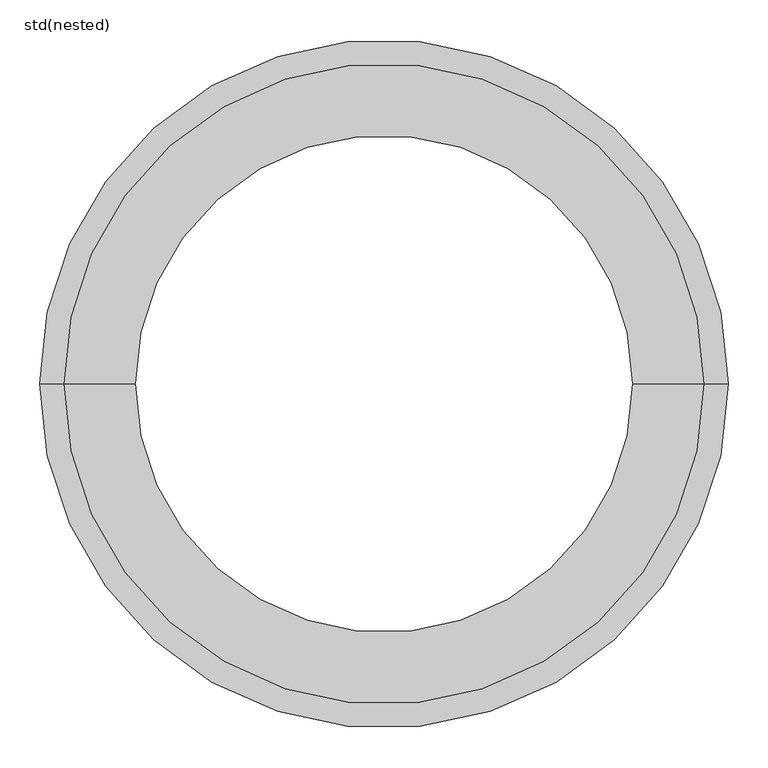
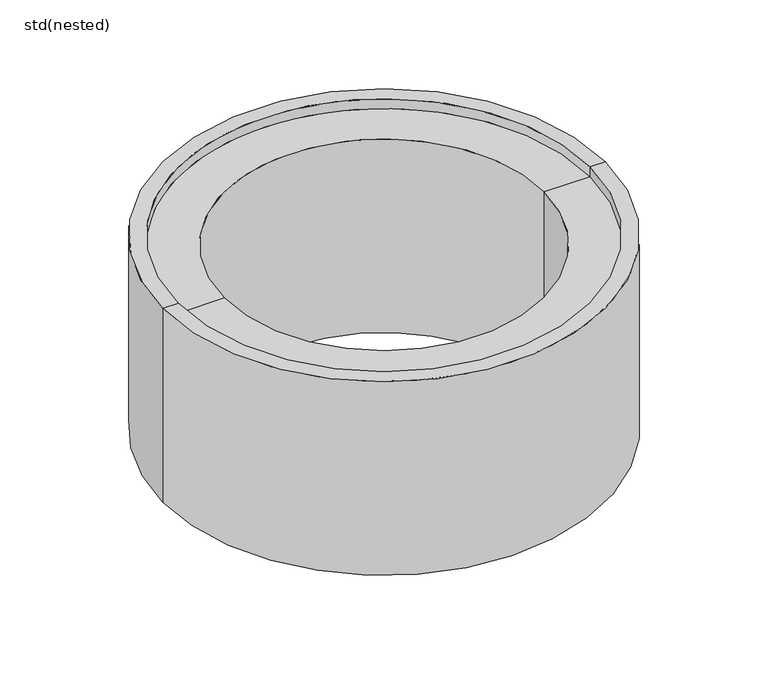
"""IFC4 building model written with IfcOpenShell, lengths in millimetres: unitary equipment geometry, std(nested)."""

from ifc_helpers import new_model, si_unit, frame, origin, place, context, project, spatial, polyline, circle_curve, source, transform, mapped, element, save
from ifc_brep_helpers import plane_surface, cylinder_surface, revolved_surface, advanced_brep


def std_nested_53556877(model_context):
    return source(origin(), model_context, "Body", "AdvancedBrep", [
        advanced_brep(
        [(402.5, 0.0, -400.0), (-402.5, 0.0, -400.0), (-432.5, 0.0, -400.0), (432.5, 0.0, -400.0), (402.5, 0.0, -420.0), (-402.5, 0.0, -420.0), (312.5, 0.0, -420.0), (-312.5, 0.0, -420.0), (312.5, 0.0, -20.0), (-312.5, 0.0, -20.0), (402.5, 0.0, -20.0), (-402.5, 0.0, -20.0), (402.5, 0.0, 0.0), (-402.5, 0.0, 0.0), (432.5, 0.0, 0.0), (-432.5, 0.0, 0.0)],
        [
            (0, 1, circle_curve(frame((0.0, 0.0, -400.0), z_axis=(0.0, 0.0, 1.0), x_axis=(-1.0, 0.0, 0.0)), 402.5)),
            (1, 2),
            (2, 3, circle_curve(frame((0.0, 0.0, -400.0), z_axis=(0.0, 0.0, -1.0), x_axis=(-1.0, 0.0, 0.0)), 432.5)),
            (3, 0),
            (1, 0, circle_curve(frame((0.0, 0.0, -400.0), z_axis=(0.0, 0.0, 1.0), x_axis=(-1.0, 0.0, 0.0)), 402.5)),
            (3, 2, circle_curve(frame((0.0, 0.0, -400.0), z_axis=(0.0, 0.0, -1.0), x_axis=(-1.0, 0.0, 0.0)), 432.5)),
            (4, 5, circle_curve(frame((0.0, 0.0, -420.0), z_axis=(0.0, 0.0, 1.0), x_axis=(-1.0, 0.0, 0.0)), 402.5)),
            (5, 1),
            (0, 4),
            (5, 4, circle_curve(frame((0.0, 0.0, -420.0), z_axis=(0.0, 0.0, 1.0), x_axis=(-1.0, 0.0, 0.0)), 402.5)),
            (6, 7, circle_curve(frame((0.0, 0.0, -420.0), z_axis=(0.0, 0.0, 1.0), x_axis=(-1.0, 0.0, 0.0)), 312.5)),
            (7, 5),
            (4, 6),
            (7, 6, circle_curve(frame((0.0, 0.0, -420.0), z_axis=(0.0, 0.0, 1.0), x_axis=(-1.0, 0.0, 0.0)), 312.5)),
            (8, 9, circle_curve(frame((0.0, 0.0, -20.0), z_axis=(0.0, 0.0, 1.0), x_axis=(-1.0, 0.0, 0.0)), 312.5)),
            (9, 7),
            (6, 8),
            (9, 8, circle_curve(frame((0.0, 0.0, -20.0), z_axis=(0.0, 0.0, 1.0), x_axis=(-1.0, 0.0, 0.0)), 312.5)),
            (10, 11, circle_curve(frame((0.0, 0.0, -20.0), z_axis=(0.0, 0.0, 1.0), x_axis=(-1.0, 0.0, 0.0)), 402.5)),
            (11, 9),
            (8, 10),
            (11, 10, circle_curve(frame((0.0, 0.0, -20.0), z_axis=(0.0, 0.0, 1.0), x_axis=(-1.0, 0.0, 0.0)), 402.5)),
            (12, 13, circle_curve(frame((0.0, 0.0, 0.0), z_axis=(0.0, 0.0, 1.0), x_axis=(-1.0, 0.0, 0.0)), 402.5)),
            (13, 11),
            (10, 12),
            (13, 12, circle_curve(frame((0.0, 0.0, 0.0), z_axis=(0.0, 0.0, 1.0), x_axis=(-1.0, 0.0, 0.0)), 402.5)),
            (14, 15, circle_curve(frame((0.0, 0.0, 0.0), z_axis=(0.0, 0.0, 1.0), x_axis=(-1.0, 0.0, 0.0)), 432.5)),
            (15, 13),
            (12, 14),
            (15, 14, circle_curve(frame((0.0, 0.0, 0.0), z_axis=(0.0, 0.0, 1.0), x_axis=(-1.0, 0.0, 0.0)), 432.5)),
            (2, 15),
            (14, 3),
        ],
        [
            plane_surface(frame((0.0, 0.0, -400.0), z_axis=(0.0, 0.0, -1.0), x_axis=(-1.0, 0.0, 0.0))),
            cylinder_surface(frame((0.0, 0.0, 0.0), z_axis=(0.0, 0.0, -1.0), x_axis=(-1.0, 0.0, 0.0)), 402.5),
            plane_surface(frame((0.0, 0.0, -420.0), z_axis=(0.0, 0.0, -1.0), x_axis=(-1.0, 0.0, 0.0))),
            revolved_surface(polyline([(-312.5, 0.0, -420.0), (-312.5, 0.0, -20.0)]), (0.0, 0.0, 0.0), (0.0, 0.0, -1.0)),
            plane_surface(frame((0.0, 0.0, -20.0), z_axis=(0.0, 0.0, 1.0), x_axis=(-1.0, 0.0, 0.0))),
            revolved_surface(polyline([(-402.5, 0.0, -20.0), (-402.5, 0.0, 0.0)]), (0.0, 0.0, 0.0), (0.0, 0.0, -1.0)),
            plane_surface(frame((0.0, 0.0, 0.0), z_axis=(0.0, 0.0, 1.0), x_axis=(-1.0, 0.0, 0.0))),
            cylinder_surface(frame((0.0, 0.0, 0.0), z_axis=(0.0, 0.0, -1.0), x_axis=(-1.0, 0.0, 0.0)), 432.5),
        ],
        [
            (0, [[1, 2, 3, 4]]),
            (0, [[5, -4, 6, -2]]),
            (1, [[7, 8, -1, 9]]),
            (1, [[10, -9, -5, -8]]),
            (2, [[11, 12, -7, 13]]),
            (2, [[14, -13, -10, -12]]),
            (3, [[15, 16, -11, 17]]),
            (3, [[18, -17, -14, -16]]),
            (4, [[19, 20, -15, 21]]),
            (4, [[22, -21, -18, -20]]),
            (5, [[23, 24, -19, 25]]),
            (5, [[26, -25, -22, -24]]),
            (6, [[27, 28, -23, 29]]),
            (6, [[30, -29, -26, -28]]),
            (7, [[-3, 31, -27, 32]]),
            (7, [[-6, -32, -30, -31]]),
        ],
    ),
    ])


if __name__ == "__main__":
    model = new_model("IFC4")
    model_context = context("Model", 3, world=origin())
    ifc_project = project(units=[si_unit("LENGTHUNIT", "METRE", prefix="MILLI")], contexts=[model_context])
    site = spatial("IfcSite", under=ifc_project)
    building = spatial("IfcBuilding", under=site)
    placement = place(None, origin())
    std_nested_shape = std_nested_53556877(model_context)
    element("IfcUnitaryEquipment", 1, ObjectType="std(nested)", at=placement, inside=building, context=model_context, shape_type="MappedRepresentation", body=[
        mapped(std_nested_shape, transform((0.0, 0.0, 0.0), x_axis=(1.0, 0.0, 0.0), y_axis=(0.0, 1.0, 0.0), z_axis=(0.0, 0.0, 1.0))),
    ])
    save(model, "model.ifc")
